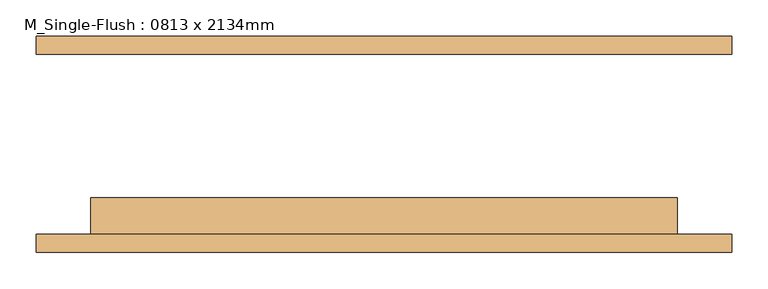
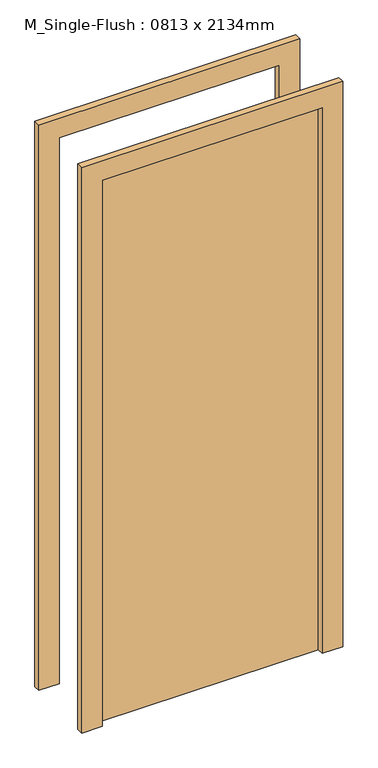
"""IFC4 building model written with IfcOpenShell, lengths in millimetres: door geometry, M_Single-Flush : 0813 x 2134mm."""

from ifc_helpers import new_model, si_unit, frame, origin, origin_with_axes, place, context, project, spatial, polyline, outline, extrude, source, transform, mapped, element, save


def m_single_flush_0813_x_2134mm_7b13a451(model_context):
    return source(origin(), model_context, "Body", "SweptSolid", [
        extrude(outline(polyline([(2210.0, -482.5), (0.0, -482.5), (0.0, -406.5), (2134.0, -406.5), (2134.0, 406.5), (0.0, 406.5), (0.0, 482.5), (2210.0, 482.5), (2210.0, -482.5)])), frame((0.0, -150.0, 0.0), z_axis=(0.0, 1.0, 0.0), x_axis=(0.0, 0.0, 1.0)), (0.0, 0.0, 1.0), 25.0),
        extrude(outline(polyline([(2210.0, 482.5), (2210.0, -482.5), (0.0, -482.5), (0.0, -406.5), (2134.0, -406.5), (2134.0, 406.5), (0.0, 406.5), (0.0, 482.5), (2210.0, 482.5)])), frame((0.0, 125.0, 0.0), z_axis=(0.0, 1.0, 0.0), x_axis=(0.0, 0.0, 1.0)), (0.0, 0.0, 1.0), 25.0),
        extrude(outline(polyline([(406.5, -74.0), (406.5, -125.0), (-406.5, -125.0), (-406.5, -74.0), (406.5, -74.0)])), origin_with_axes(), (0.0, 0.0, 1.0), 2134.0),
    ])


if __name__ == "__main__":
    model = new_model("IFC4")
    model_context = context("Model", 3, world=origin())
    ifc_project = project(units=[si_unit("LENGTHUNIT", "METRE", prefix="MILLI")], contexts=[model_context])
    site = spatial("IfcSite", under=ifc_project)
    building = spatial("IfcBuilding", under=site)
    placement = place(None, origin())
    m_single_flush_0813_x_2134mm_shape = m_single_flush_0813_x_2134mm_7b13a451(model_context)
    element("IfcDoor", 1, ObjectType="M_Single-Flush : 0813 x 2134mm", at=placement, inside=building, context=model_context, shape_type="MappedRepresentation", body=[
        mapped(m_single_flush_0813_x_2134mm_shape, transform((0.0, 0.0, 0.0), x_axis=(1.0, 0.0, 0.0), y_axis=(0.0, 1.0, 0.0), z_axis=(0.0, 0.0, 1.0))),
    ])
    save(model, "model.ifc")
